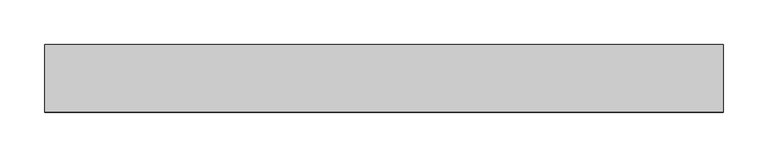
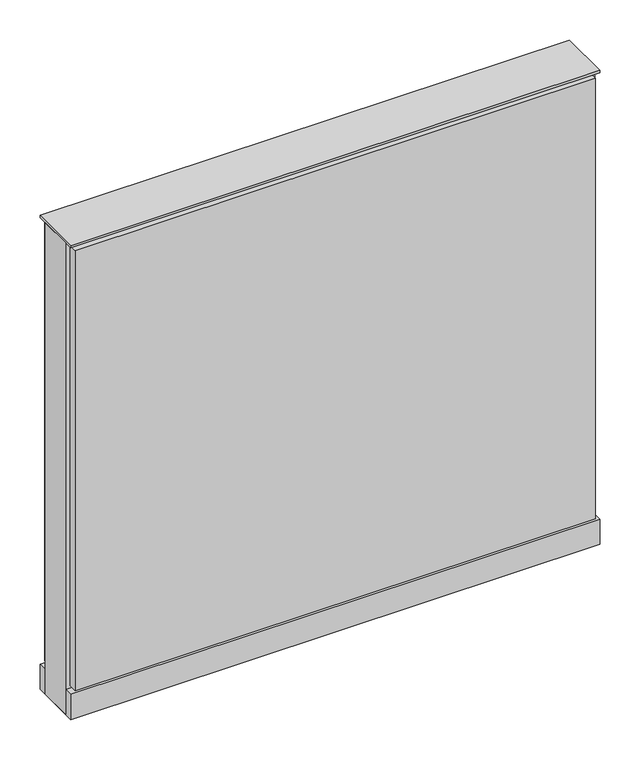
"""IFC4 building model written with IfcOpenShell, lengths in millimetres: furniture geometry."""

from ifc_helpers import new_model, si_unit, point, frame, frame_2d, origin, origin_with_axes, place, context, project, spatial, polyline, circle_curve, trimmed, segment, composite_curve, outline, extrude, source, transform, mapped, element, save


def furniture_a3e20768(model_context):
    return source(origin(), model_context, "Body", "SweptSolid", [
        extrude(outline(composite_curve([segment(trimmed(circle_curve(frame_2d((307.2402902, 0.0)), 12.7), [point((294.5402902, 0.0))], [point((319.9402902, 0.0))], False, "CARTESIAN"), True, "CONTINUOUS"), segment(trimmed(circle_curve(frame_2d((307.2402902, 0.0)), 12.7), [point((319.9402902, 0.0))], [point((294.5402902, 0.0))], False, "CARTESIAN"), True, "CONTINUOUS")], self_intersect=False)), origin_with_axes(), (0.0, 0.0, 1.0), 12.7),
        extrude(outline(composite_curve([segment(trimmed(circle_curve(frame_2d((-302.3597098, 0.0)), 12.7), [point((-315.0597098, 0.0))], [point((-289.6597098, 0.0))], False, "CARTESIAN"), True, "CONTINUOUS"), segment(trimmed(circle_curve(frame_2d((-302.3597098, 0.0)), 12.7), [point((-289.6597098, 0.0))], [point((-315.0597098, 0.0))], False, "CARTESIAN"), True, "CONTINUOUS")], self_intersect=False)), origin_with_axes(), (0.0, 0.0, 1.0), 12.7),
        extrude(outline(polyline([(377.0902902, 38.1), (377.0902902, 25.4), (-372.2097098, 25.4), (-372.2097098, 38.1), (377.0902902, 38.1)])), frame((0.0, 0.0, 53.975), z_axis=(0.0, 0.0, 1.0), x_axis=(1.0, 0.0, 0.0)), (0.0, 0.0, 1.0), 669.925),
        extrude(outline(polyline([(377.0902902, -38.1), (-372.2097098, -38.1), (-372.2097098, -25.4), (377.0902902, -25.4), (377.0902902, -38.1)])), frame((0.0, 0.0, 53.975), z_axis=(0.0, 0.0, 1.0), x_axis=(1.0, 0.0, 0.0)), (0.0, 0.0, 1.0), 669.925),
        extrude(outline(polyline([(383.4402902, 25.4), (383.4402902, -25.4), (-378.5597098, -25.4), (-378.5597098, 25.4), (383.4402902, 25.4)])), frame((0.0, 0.0, 12.7), z_axis=(0.0, 0.0, 1.0), x_axis=(1.0, 0.0, 0.0)), (0.0, 0.0, 1.0), 717.55),
        extrude(outline(polyline([(-378.5597098, -38.1), (-378.5597098, 38.1), (383.4402902, 38.1), (383.4402902, -38.1), (-378.5597098, -38.1)])), frame((0.0, 0.0, 12.7), z_axis=(0.0, 0.0, 1.0), x_axis=(1.0, 0.0, 0.0)), (0.0, 0.0, 1.0), 38.1),
        extrude(outline(polyline([(-378.5597098, -38.1), (-378.5597098, 38.1), (383.4402902, 38.1), (383.4402902, -38.1), (-378.5597098, -38.1)])), frame((0.0, 0.0, 730.25), z_axis=(0.0, 0.0, 1.0), x_axis=(1.0, 0.0, 0.0)), (0.0, 0.0, 1.0), 3.175),
    ])


if __name__ == "__main__":
    model = new_model("IFC4")
    model_context = context("Model", 3, world=origin())
    ifc_project = project(units=[si_unit("LENGTHUNIT", "METRE", prefix="MILLI")], contexts=[model_context])
    site = spatial("IfcSite", under=ifc_project)
    building = spatial("IfcBuilding", under=site)
    placement = place(None, origin())
    furniture_shape = furniture_a3e20768(model_context)
    element("IfcFurniture", 1, at=placement, inside=building, context=model_context, shape_type="MappedRepresentation", body=[
        mapped(furniture_shape, transform((0.0, 0.0, 0.0), x_axis=(1.0, 0.0, 0.0), y_axis=(0.0, 1.0, 0.0), z_axis=(0.0, 0.0, 1.0))),
    ])
    save(model, "model.ifc")
